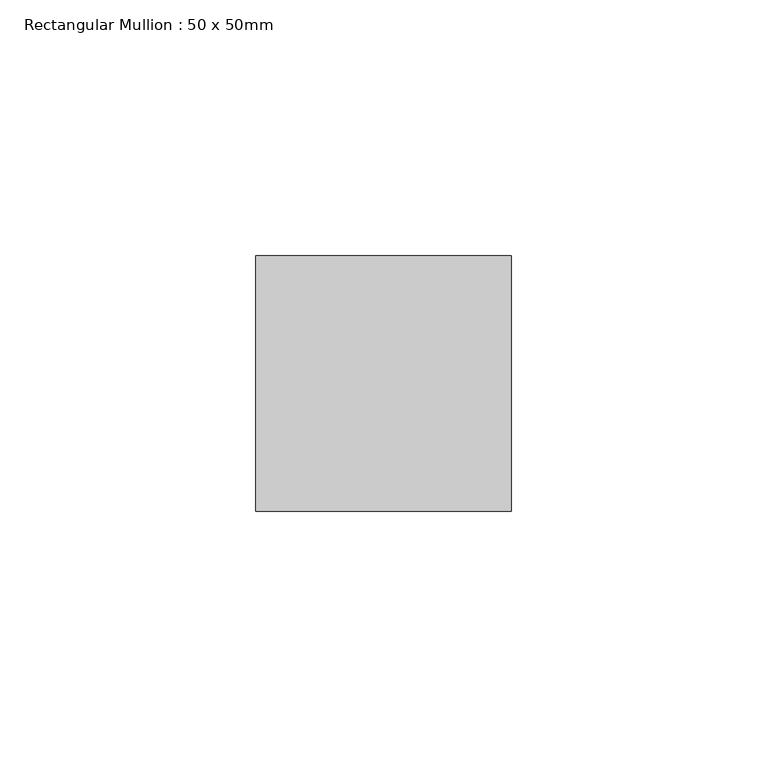
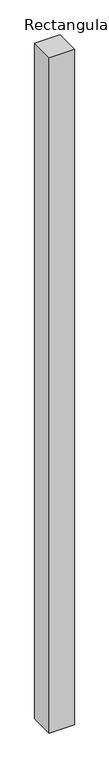
"""IFC4 building model written with IfcOpenShell, lengths in millimetres: member geometry, Rectangular Mullion : 50 x 50mm."""

from ifc_helpers import new_model, si_unit, frame, origin, place, context, project, spatial, polyline, outline, extrude, source, transform, mapped, element, save


def rectangular_mullion_50_x_50mm_0c15ec65(model_context):
    return source(origin(), model_context, "Body", "SweptSolid", [
        extrude(outline(polyline([(0.0, 50.0), (0.0, 0.0), (-50.0, 0.0), (-50.0, 50.0), (0.0, 50.0)])), frame((0.0, 0.0, -1420.0), z_axis=(0.0, 0.0, 1.0), x_axis=(1.0, 0.0, 0.0)), (0.0, 0.0, 1.0), 1420.0),
    ])


if __name__ == "__main__":
    model = new_model("IFC4")
    model_context = context("Model", 3, world=origin())
    ifc_project = project(units=[si_unit("LENGTHUNIT", "METRE", prefix="MILLI")], contexts=[model_context])
    site = spatial("IfcSite", under=ifc_project)
    building = spatial("IfcBuilding", under=site)
    placement = place(None, origin())
    rectangular_mullion_50_x_50mm_shape = rectangular_mullion_50_x_50mm_0c15ec65(model_context)
    element("IfcMember", 1, ObjectType="Rectangular Mullion : 50 x 50mm", at=placement, inside=building, context=model_context, shape_type="MappedRepresentation", body=[
        mapped(rectangular_mullion_50_x_50mm_shape, transform((0.0, 0.0, 0.0), x_axis=(1.0, 0.0, 0.0), y_axis=(0.0, 1.0, 0.0), z_axis=(0.0, 0.0, 1.0))),
    ])
    save(model, "model.ifc")
